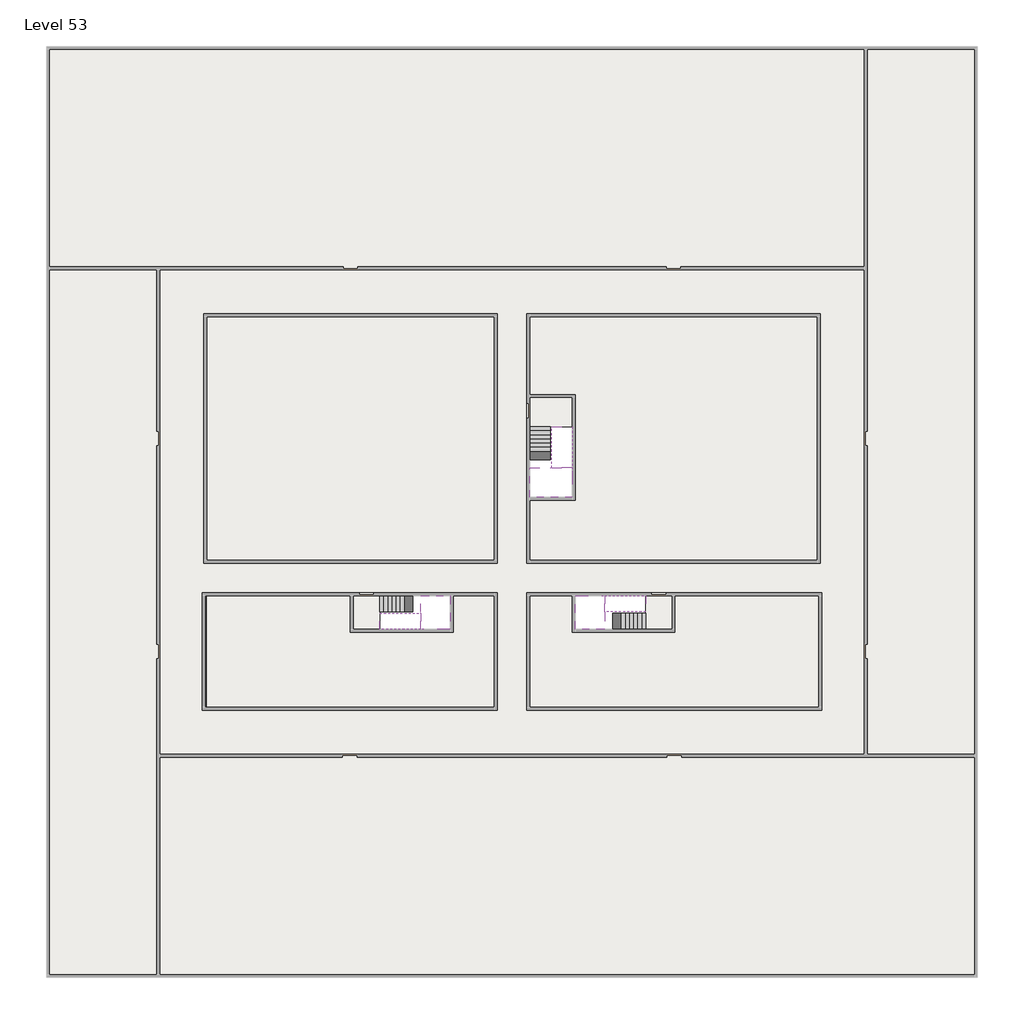
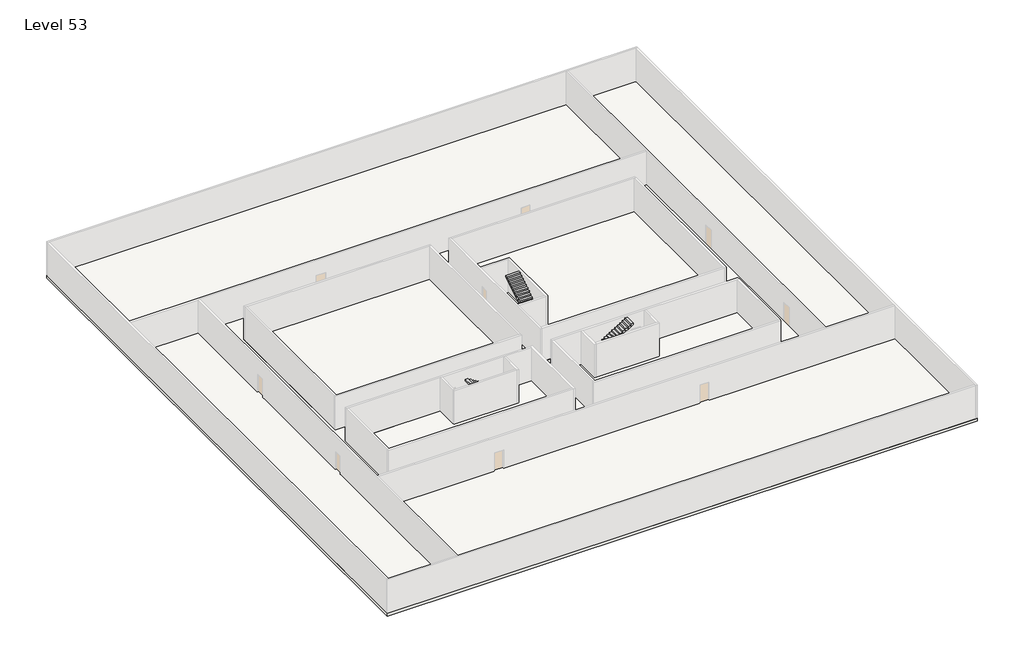
# One storey, part 2 of 2: 6 slabs, 6 stair flights.
"""IFC4 building model written with IfcOpenShell, lengths in millimetres."""

from ifc_helpers import new_model, si_unit, frame, origin, place, context, project, spatial, polyline, outline, extrude, faceted_brep, element, save

model = new_model("IFC4")

# Units and contexts
model_context = context("Model", 3, world=origin())
ifc_project = project(units=[si_unit("LENGTHUNIT", "METRE", prefix="MILLI")], contexts=[model_context])

# Site, building, storey
site = spatial("IfcSite", under=ifc_project)
building = spatial("IfcBuilding", under=site)
storey = spatial("IfcBuildingStorey", under=building, Name="Level 53", Elevation=197600.0)

# Slabs
placement = place(None, origin())
element("IfcSlab", 1, at=placement, inside=storey, context=model_context, shape_type="SweptSolid", body=[
    extrude(outline(polyline([(55890.1058784, -5518.09644), (55890.1058784, -68918.09644), (-7509.8941216, -68918.09644), (-7509.8941216, -5518.09644), (55890.1058784, -5518.09644)]), holes=[polyline([(23190.1058784, -23718.09644), (3190.1058784, -23718.09644), (3190.1058784, -40718.09644), (23190.1058784, -40718.09644), (23190.1058784, -23718.09644)]), polyline([(45190.1058784, -23718.09644), (25190.1058784, -23718.09644), (25190.1058784, -40718.09644), (45190.1058784, -40718.09644), (45190.1058784, -23718.09644)]), polyline([(23190.1058784, -50718.09644), (23190.1058784, -42718.09644), (3390.1058784, -42718.09644), (3390.1058784, -50718.09644), (23190.1058784, -50718.09644)]), polyline([(25190.1058784, -50718.09644), (45190.1058784, -50718.09644), (45190.1058784, -42718.09644), (25190.1058784, -42718.09644), (25190.1058784, -50718.09644)])]), frame((0.0, 0.0, 197300.0), z_axis=(0.0, 0.0, 1.0), x_axis=(1.0, 0.0, 0.0)), (0.0, 0.0, 1.0), 300.0),
])
element("IfcSlab", 2, at=placement, inside=storey, context=model_context, shape_type="Brep", body=[
    faceted_brep([(26790.1058784, -34218.09644, 199500.0), (25390.1058784, -34218.09644, 199500.0), (25390.1058784, -34297.4828763, 199500.0), (25390.1058784, -36218.09644, 199500.0), (28290.1058784, -36218.09644, 199500.0), (28290.1058784, -34418.7100038, 199500.0), (28290.1058784, -34218.09644, 199500.0), (26890.1058784, -34218.09644, 199500.0), (26790.1058784, -34218.09644, 199200.0), (26790.1058784, -34218.09644, 199151.0278478), (25390.1058784, -34218.09644, 199151.0278478), (25390.1058784, -34218.09644, 199327.2727273), (25390.1058784, -34297.4828763, 199200.0), (25390.1058784, -36218.09644, 199200.0), (28290.1058784, -36218.09644, 199200.0), (28290.1058784, -34418.7100038, 199200.0), (28290.1058784, -34218.09644, 199323.7551205), (26890.1058784, -34218.09644, 199323.7551205), (26890.1058784, -34218.09644, 199200.0), (26890.1058784, -34418.7100038, 199200.0), (26790.1058784, -34297.4828763, 199200.0)], [[[0, 1, 2, 3, 4, 5, 6, 7]], [[1, 0, 8, 9, 10, 11]], [[1, 11, 10, 12, 13, 3, 2]], [[4, 3, 13, 14]], [[4, 14, 15, 16, 6, 5]], [[7, 6, 16, 17]], [[0, 7, 17, 18, 8]], [[18, 19, 15, 14, 13, 12, 20, 8]], [[19, 18, 17]], [[20, 12, 10, 9]], [[8, 20, 9]], [[15, 19, 17, 16]]]),
])
element("IfcSlab", 3, at=placement, inside=storey, context=model_context, shape_type="SweptSolid", body=[
    extrude(outline(polyline([(22990.1058784, -23918.09644), (22990.1058784, -40518.09644), (3390.1058784, -40518.09644), (3390.1058784, -23918.09644), (22990.1058784, -23918.09644)])), frame((0.0, 0.0, 197300.0), z_axis=(0.0, 0.0, 1.0), x_axis=(1.0, 0.0, 0.0)), (0.0, 0.0, 1.0), 300.0),
    extrude(outline(polyline([(44990.1058784, -23918.09644), (44990.1058784, -40518.09644), (25390.1058784, -40518.09644), (25390.1058784, -36418.09644), (28490.1058784, -36418.09644), (28490.1058784, -29218.09644), (25390.1058784, -29218.09644), (25390.1058784, -23918.09644), (44990.1058784, -23918.09644)])), frame((0.0, 0.0, 197300.0), z_axis=(0.0, 0.0, 1.0), x_axis=(1.0, 0.0, 0.0)), (0.0, 0.0, 1.0), 300.0),
    extrude(outline(polyline([(22990.1058784, -42918.09644), (22990.1058784, -50518.09644), (3390.1058784, -50518.09644), (3390.1058784, -42918.09644), (13190.1058784, -42918.09644), (13190.1058784, -45418.09644), (20190.1058784, -45418.09644), (20190.1058784, -42918.09644), (22990.1058784, -42918.09644)])), frame((0.0, 0.0, 197300.0), z_axis=(0.0, 0.0, 1.0), x_axis=(1.0, 0.0, 0.0)), (0.0, 0.0, 1.0), 300.0),
    extrude(outline(polyline([(28290.1058784, -42918.09644), (28290.1058784, -45418.09644), (35290.1058784, -45418.09644), (35290.1058784, -42918.09644), (45090.1058784, -42918.09644), (45090.1058784, -50518.09644), (25390.1058784, -50518.09644), (25390.1058784, -42918.09644), (28290.1058784, -42918.09644)])), frame((0.0, 0.0, 197300.0), z_axis=(0.0, 0.0, 1.0), x_axis=(1.0, 0.0, 0.0)), (0.0, 0.0, 1.0), 300.0),
])
element("IfcSlab", 4, at=placement, inside=storey, context=model_context, shape_type="Brep", body=[
    faceted_brep([(30490.1058784, -45218.09644, 199500.0), (30490.1058784, -44118.09644, 199500.0), (30490.1058784, -44018.09644, 199500.0), (30490.1058784, -42918.09644, 199500.0), (30289.4923146, -42918.09644, 199500.0), (28490.1058784, -42918.09644, 199500.0), (28490.1058784, -45218.09644, 199500.0), (30410.7194421, -45218.09644, 199500.0), (30490.1058784, -45218.09644, 199327.2727273), (30490.1058784, -45218.09644, 199151.0278478), (30490.1058784, -44118.09644, 199151.0278478), (30490.1058784, -44118.09644, 199200.0), (30490.1058784, -44018.09644, 199200.0), (30490.1058784, -44018.09644, 199323.7551205), (30490.1058784, -42918.09644, 199323.7551205), (30289.4923146, -42918.09644, 199200.0), (28490.1058784, -42918.09644, 199200.0), (28490.1058784, -45218.09644, 199200.0), (30410.7194421, -45218.09644, 199200.0), (30289.4923146, -44018.09644, 199200.0), (30410.7194421, -44118.09644, 199200.0)], [[[0, 1, 2, 3, 4, 5, 6, 7]], [[1, 0, 8, 9, 10, 11]], [[2, 1, 11, 12, 13]], [[3, 2, 13, 14]], [[3, 14, 15, 16, 5, 4]], [[6, 5, 16, 17]], [[9, 8, 0, 7, 6, 17, 18]], [[19, 12, 11, 20, 18, 17, 16, 15]], [[12, 19, 13]], [[18, 20, 10, 9]], [[20, 11, 10]], [[19, 15, 14, 13]]]),
])
element("IfcSlab", 5, at=placement, inside=storey, context=model_context, shape_type="Brep", body=[
    faceted_brep([(17990.1058784, -42918.09644, 199500.0), (17990.1058784, -44018.09644, 199500.0), (17990.1058784, -44118.09644, 199500.0), (17990.1058784, -45218.09644, 199500.0), (18190.7194421, -45218.09644, 199500.0), (19990.1058784, -45218.09644, 199500.0), (19990.1058784, -42918.09644, 199500.0), (18069.4923146, -42918.09644, 199500.0), (17990.1058784, -42918.09644, 199327.2727273), (17990.1058784, -42918.09644, 199151.0278478), (17990.1058784, -44018.09644, 199151.0278478), (17990.1058784, -44018.09644, 199200.0), (17990.1058784, -44118.09644, 199200.0), (17990.1058784, -44118.09644, 199323.7551205), (17990.1058784, -45218.09644, 199323.7551205), (18190.7194421, -45218.09644, 199200.0), (19990.1058784, -45218.09644, 199200.0), (19990.1058784, -42918.09644, 199200.0), (18069.4923146, -42918.09644, 199200.0), (18190.7194421, -44118.09644, 199200.0), (18069.4923146, -44018.09644, 199200.0)], [[[0, 1, 2, 3, 4, 5, 6, 7]], [[1, 0, 8, 9, 10, 11]], [[2, 1, 11, 12, 13]], [[3, 2, 13, 14]], [[3, 14, 15, 16, 5, 4]], [[6, 5, 16, 17]], [[9, 8, 0, 7, 6, 17, 18]], [[19, 12, 11, 20, 18, 17, 16, 15]], [[12, 19, 13]], [[18, 20, 10, 9]], [[20, 11, 10]], [[19, 15, 14, 13]]]),
])
element("IfcSlab", 6, at=placement, inside=storey, context=model_context, shape_type="SweptSolid", body=[
    extrude(outline(polyline([(25190.1058784, -29418.09644), (28290.1058784, -29418.09644), (28290.1058784, -31418.09644), (25190.1058784, -31418.09644), (25190.1058784, -29418.09644)])), frame((0.0, 0.0, 197300.0), z_axis=(0.0, 0.0, 1.0), x_axis=(1.0, 0.0, 0.0)), (0.0, 0.0, 1.0), 300.0),
    extrude(outline(polyline([(15190.1058784, -45218.09644), (13390.1058784, -45218.09644), (13390.1058784, -42718.09644), (15190.1058784, -42718.09644), (15190.1058784, -45218.09644)])), frame((0.0, 0.0, 197300.0), z_axis=(0.0, 0.0, 1.0), x_axis=(1.0, 0.0, 0.0)), (0.0, 0.0, 1.0), 300.0),
    extrude(outline(polyline([(35090.1058784, -45218.09644), (33290.1058784, -45218.09644), (33290.1058784, -42718.09644), (35090.1058784, -42718.09644), (35090.1058784, -45218.09644)])), frame((0.0, 0.0, 197300.0), z_axis=(0.0, 0.0, 1.0), x_axis=(1.0, 0.0, 0.0)), (0.0, 0.0, 1.0), 300.0),
])

# Stair flights
element("IfcStairFlight", 7, at=placement, inside=storey, context=model_context, shape_type="Brep", body=[
    faceted_brep([(26790.1058784, -31698.09644, 197772.7272727), (26790.1058784, -31418.09644, 197772.7272727), (25390.1058784, -31418.09644, 197772.7272727), (25390.1058784, -31698.09644, 197772.7272727), (26790.1058784, -31698.09644, 197600.0), (26790.1058784, -31418.09644, 197600.0), (25390.1058784, -31418.09644, 197600.0), (25390.1058784, -31698.09644, 197600.0), (26790.1058784, -31978.09644, 197945.4545455), (26790.1058784, -31698.09644, 197945.4545455), (25390.1058784, -31698.09644, 197945.4545455), (25390.1058784, -31978.09644, 197945.4545455), (26790.1058784, -31978.09644, 197769.209666), (26790.1058784, -31703.7986657, 197600.0), (25390.1058784, -31703.7986657, 197600.0), (25390.1058784, -31978.09644, 197769.209666), (26790.1058784, -32258.09644, 198118.1818182), (26790.1058784, -31978.09644, 198118.1818182), (25390.1058784, -31978.09644, 198118.1818182), (25390.1058784, -32258.09644, 198118.1818182), (26790.1058784, -32258.09644, 197941.9369387), (25390.1058784, -32258.09644, 197941.9369387), (26790.1058784, -32538.09644, 198290.9090909), (26790.1058784, -32258.09644, 198290.9090909), (25390.1058784, -32258.09644, 198290.9090909), (25390.1058784, -32538.09644, 198290.9090909), (26790.1058784, -32538.09644, 198114.6642114), (25390.1058784, -32538.09644, 198114.6642114), (26790.1058784, -32818.09644, 198463.6363636), (26790.1058784, -32538.09644, 198463.6363636), (25390.1058784, -32538.09644, 198463.6363636), (25390.1058784, -32818.09644, 198463.6363636), (26790.1058784, -32818.09644, 198287.3914841), (25390.1058784, -32818.09644, 198287.3914841), (26790.1058784, -33098.09644, 198636.3636364), (26790.1058784, -32818.09644, 198636.3636364), (25390.1058784, -32818.09644, 198636.3636364), (25390.1058784, -33098.09644, 198636.3636364), (26790.1058784, -33098.09644, 198460.1187569), (25390.1058784, -33098.09644, 198460.1187569), (26790.1058784, -33378.09644, 198809.0909091), (26790.1058784, -33098.09644, 198809.0909091), (25390.1058784, -33098.09644, 198809.0909091), (25390.1058784, -33378.09644, 198809.0909091), (26790.1058784, -33378.09644, 198632.8460296), (25390.1058784, -33378.09644, 198632.8460296), (26790.1058784, -33658.09644, 198981.8181818), (26790.1058784, -33378.09644, 198981.8181818), (25390.1058784, -33378.09644, 198981.8181818), (25390.1058784, -33658.09644, 198981.8181818), (26790.1058784, -33658.09644, 198805.5733023), (25390.1058784, -33658.09644, 198805.5733023), (26790.1058784, -33938.09644, 199154.5454545), (26790.1058784, -33658.09644, 199154.5454545), (25390.1058784, -33658.09644, 199154.5454545), (25390.1058784, -33938.09644, 199154.5454545), (26790.1058784, -33938.09644, 198978.3005751), (25390.1058784, -33938.09644, 198978.3005751), (26790.1058784, -34218.09644, 199327.2727273), (26790.1058784, -33938.09644, 199327.2727273), (25390.1058784, -33938.09644, 199327.2727273), (25390.1058784, -34218.09644, 199327.2727273), (26790.1058784, -34218.09644, 199200.0), (26790.1058784, -34218.09644, 199151.0278478), (25390.1058784, -34218.09644, 199151.0278478)], [[[0, 1, 2, 3]], [[1, 0, 4, 5]], [[2, 1, 5, 6]], [[3, 2, 6, 7]], [[8, 9, 10, 11]], [[4, 0, 9, 8, 12, 13]], [[0, 3, 10, 9]], [[3, 7, 14, 15, 11, 10]], [[16, 17, 18, 19]], [[17, 16, 20, 12, 8]], [[8, 11, 18, 17]], [[19, 18, 11, 15, 21]], [[22, 23, 24, 25]], [[23, 22, 26, 20, 16]], [[16, 19, 24, 23]], [[25, 24, 19, 21, 27]], [[28, 29, 30, 31]], [[29, 28, 32, 26, 22]], [[22, 25, 30, 29]], [[31, 30, 25, 27, 33]], [[34, 35, 36, 37]], [[35, 34, 38, 32, 28]], [[28, 31, 36, 35]], [[37, 36, 31, 33, 39]], [[40, 41, 42, 43]], [[41, 40, 44, 38, 34]], [[34, 37, 42, 41]], [[43, 42, 37, 39, 45]], [[46, 47, 48, 49]], [[47, 46, 50, 44, 40]], [[40, 43, 48, 47]], [[49, 48, 43, 45, 51]], [[52, 53, 54, 55]], [[53, 52, 56, 50, 46]], [[46, 49, 54, 53]], [[55, 54, 49, 51, 57]], [[58, 59, 60, 61]], [[59, 58, 62, 63, 56, 52]], [[52, 55, 60, 59]], [[61, 60, 55, 57, 64]], [[58, 61, 64, 63, 62]], [[5, 4, 13, 14, 7, 6]], [[14, 13, 12, 20, 26, 32, 38, 44, 50, 56, 63, 64, 57, 51, 45, 39, 33, 27, 21, 15]]]),
])
element("IfcStairFlight", 8, at=placement, inside=storey, context=model_context, shape_type="Brep", body=[
    faceted_brep([(26890.1058784, -33938.09644, 199672.7272727), (26890.1058784, -34218.09644, 199672.7272727), (28290.1058784, -34218.09644, 199672.7272727), (28290.1058784, -33938.09644, 199672.7272727), (26890.1058784, -33938.09644, 199496.4823932), (26890.1058784, -34218.09644, 199323.7551205), (28290.1058784, -34218.09644, 199323.7551205), (28290.1058784, -34218.09644, 199500.0), (28290.1058784, -33938.09644, 199496.4823932), (26890.1058784, -33658.09644, 199845.4545455), (26890.1058784, -33938.09644, 199845.4545455), (28290.1058784, -33938.09644, 199845.4545455), (28290.1058784, -33658.09644, 199845.4545455), (26890.1058784, -33658.09644, 199669.209666), (28290.1058784, -33658.09644, 199669.209666), (26890.1058784, -33378.09644, 200018.1818182), (26890.1058784, -33658.09644, 200018.1818182), (28290.1058784, -33658.09644, 200018.1818182), (28290.1058784, -33378.09644, 200018.1818182), (26890.1058784, -33378.09644, 199841.9369387), (28290.1058784, -33378.09644, 199841.9369387), (26890.1058784, -33098.09644, 200190.9090909), (26890.1058784, -33378.09644, 200190.9090909), (28290.1058784, -33378.09644, 200190.9090909), (28290.1058784, -33098.09644, 200190.9090909), (26890.1058784, -33098.09644, 200014.6642114), (28290.1058784, -33098.09644, 200014.6642114), (26890.1058784, -32818.09644, 200363.6363636), (26890.1058784, -33098.09644, 200363.6363636), (28290.1058784, -33098.09644, 200363.6363636), (28290.1058784, -32818.09644, 200363.6363636), (26890.1058784, -32818.09644, 200187.3914841), (28290.1058784, -32818.09644, 200187.3914841), (26890.1058784, -32538.09644, 200536.3636364), (26890.1058784, -32818.09644, 200536.3636364), (28290.1058784, -32818.09644, 200536.3636364), (28290.1058784, -32538.09644, 200536.3636364), (26890.1058784, -32538.09644, 200360.1187569), (28290.1058784, -32538.09644, 200360.1187569), (26890.1058784, -32258.09644, 200709.0909091), (26890.1058784, -32538.09644, 200709.0909091), (28290.1058784, -32538.09644, 200709.0909091), (28290.1058784, -32258.09644, 200709.0909091), (26890.1058784, -32258.09644, 200532.8460296), (28290.1058784, -32258.09644, 200532.8460296), (26890.1058784, -31978.09644, 200881.8181818), (26890.1058784, -32258.09644, 200881.8181818), (28290.1058784, -32258.09644, 200881.8181818), (28290.1058784, -31978.09644, 200881.8181818), (26890.1058784, -31978.09644, 200705.5733023), (28290.1058784, -31978.09644, 200705.5733023), (26890.1058784, -31698.09644, 201054.5454545), (26890.1058784, -31978.09644, 201054.5454545), (28290.1058784, -31978.09644, 201054.5454545), (28290.1058784, -31698.09644, 201054.5454545), (26890.1058784, -31698.09644, 200878.3005751), (28290.1058784, -31698.09644, 200878.3005751), (26890.1058784, -31418.09644, 201227.2727273), (26890.1058784, -31698.09644, 201227.2727273), (28290.1058784, -31698.09644, 201227.2727273), (28290.1058784, -31418.09644, 201227.2727273), (26890.1058784, -31418.09644, 201051.0278478), (28290.1058784, -31418.09644, 201051.0278478)], [[[0, 1, 2, 3]], [[1, 0, 4, 5]], [[2, 1, 5, 6, 7]], [[3, 2, 7, 6, 8]], [[9, 10, 11, 12]], [[10, 9, 13, 4, 0]], [[11, 10, 0, 3]], [[12, 11, 3, 8, 14]], [[15, 16, 17, 18]], [[16, 15, 19, 13, 9]], [[17, 16, 9, 12]], [[18, 17, 12, 14, 20]], [[21, 22, 23, 24]], [[22, 21, 25, 19, 15]], [[23, 22, 15, 18]], [[24, 23, 18, 20, 26]], [[27, 28, 29, 30]], [[28, 27, 31, 25, 21]], [[29, 28, 21, 24]], [[30, 29, 24, 26, 32]], [[33, 34, 35, 36]], [[34, 33, 37, 31, 27]], [[35, 34, 27, 30]], [[36, 35, 30, 32, 38]], [[39, 40, 41, 42]], [[40, 39, 43, 37, 33]], [[41, 40, 33, 36]], [[42, 41, 36, 38, 44]], [[45, 46, 47, 48]], [[46, 45, 49, 43, 39]], [[47, 46, 39, 42]], [[48, 47, 42, 44, 50]], [[51, 52, 53, 54]], [[52, 51, 55, 49, 45]], [[53, 52, 45, 48]], [[54, 53, 48, 50, 56]], [[57, 58, 59, 60]], [[58, 57, 61, 55, 51]], [[59, 58, 51, 54]], [[60, 59, 54, 56, 62]], [[57, 60, 62, 61]], [[5, 4, 13, 19, 25, 31, 37, 43, 49, 55, 61, 62, 56, 50, 44, 38, 32, 26, 20, 14, 8, 6]]]),
])
element("IfcStairFlight", 9, at=placement, inside=storey, context=model_context, shape_type="Brep", body=[
    faceted_brep([(33010.1058784, -45218.09644, 197772.7272727), (33290.1058784, -45218.09644, 197772.7272727), (33290.1058784, -44118.09644, 197772.7272727), (33010.1058784, -44118.09644, 197772.7272727), (33010.1058784, -45218.09644, 197600.0), (33290.1058784, -45218.09644, 197600.0), (33290.1058784, -44118.09644, 197600.0), (33010.1058784, -44118.09644, 197600.0), (32730.1058784, -45218.09644, 197945.4545455), (33010.1058784, -45218.09644, 197945.4545455), (33010.1058784, -44118.09644, 197945.4545455), (32730.1058784, -44118.09644, 197945.4545455), (32730.1058784, -45218.09644, 197769.209666), (33004.4036527, -45218.09644, 197600.0), (33004.4036527, -44118.09644, 197600.0), (32730.1058784, -44118.09644, 197769.209666), (32450.1058784, -45218.09644, 198118.1818182), (32730.1058784, -45218.09644, 198118.1818182), (32730.1058784, -44118.09644, 198118.1818182), (32450.1058784, -44118.09644, 198118.1818182), (32450.1058784, -45218.09644, 197941.9369387), (32450.1058784, -44118.09644, 197941.9369387), (32170.1058784, -45218.09644, 198290.9090909), (32450.1058784, -45218.09644, 198290.9090909), (32450.1058784, -44118.09644, 198290.9090909), (32170.1058784, -44118.09644, 198290.9090909), (32170.1058784, -45218.09644, 198114.6642114), (32170.1058784, -44118.09644, 198114.6642114), (31890.1058784, -45218.09644, 198463.6363636), (32170.1058784, -45218.09644, 198463.6363636), (32170.1058784, -44118.09644, 198463.6363636), (31890.1058784, -44118.09644, 198463.6363636), (31890.1058784, -45218.09644, 198287.3914841), (31890.1058784, -44118.09644, 198287.3914841), (31610.1058784, -45218.09644, 198636.3636364), (31890.1058784, -45218.09644, 198636.3636364), (31890.1058784, -44118.09644, 198636.3636364), (31610.1058784, -44118.09644, 198636.3636364), (31610.1058784, -45218.09644, 198460.1187569), (31610.1058784, -44118.09644, 198460.1187569), (31330.1058784, -45218.09644, 198809.0909091), (31610.1058784, -45218.09644, 198809.0909091), (31610.1058784, -44118.09644, 198809.0909091), (31330.1058784, -44118.09644, 198809.0909091), (31330.1058784, -45218.09644, 198632.8460296), (31330.1058784, -44118.09644, 198632.8460296), (31050.1058784, -45218.09644, 198981.8181818), (31330.1058784, -45218.09644, 198981.8181818), (31330.1058784, -44118.09644, 198981.8181818), (31050.1058784, -44118.09644, 198981.8181818), (31050.1058784, -45218.09644, 198805.5733023), (31050.1058784, -44118.09644, 198805.5733023), (30770.1058784, -45218.09644, 199154.5454545), (31050.1058784, -45218.09644, 199154.5454545), (31050.1058784, -44118.09644, 199154.5454545), (30770.1058784, -44118.09644, 199154.5454545), (30770.1058784, -45218.09644, 198978.3005751), (30770.1058784, -44118.09644, 198978.3005751), (30490.1058784, -45218.09644, 199327.2727273), (30770.1058784, -45218.09644, 199327.2727273), (30770.1058784, -44118.09644, 199327.2727273), (30490.1058784, -44118.09644, 199327.2727273), (30490.1058784, -45218.09644, 199151.0278478), (30490.1058784, -44118.09644, 199151.0278478), (30490.1058784, -44118.09644, 199200.0)], [[[0, 1, 2, 3]], [[1, 0, 4, 5]], [[2, 1, 5, 6]], [[3, 2, 6, 7]], [[8, 9, 10, 11]], [[4, 0, 9, 8, 12, 13]], [[0, 3, 10, 9]], [[3, 7, 14, 15, 11, 10]], [[16, 17, 18, 19]], [[17, 16, 20, 12, 8]], [[8, 11, 18, 17]], [[19, 18, 11, 15, 21]], [[22, 23, 24, 25]], [[23, 22, 26, 20, 16]], [[16, 19, 24, 23]], [[25, 24, 19, 21, 27]], [[28, 29, 30, 31]], [[29, 28, 32, 26, 22]], [[22, 25, 30, 29]], [[31, 30, 25, 27, 33]], [[34, 35, 36, 37]], [[35, 34, 38, 32, 28]], [[28, 31, 36, 35]], [[37, 36, 31, 33, 39]], [[40, 41, 42, 43]], [[41, 40, 44, 38, 34]], [[34, 37, 42, 41]], [[43, 42, 37, 39, 45]], [[46, 47, 48, 49]], [[47, 46, 50, 44, 40]], [[40, 43, 48, 47]], [[49, 48, 43, 45, 51]], [[52, 53, 54, 55]], [[53, 52, 56, 50, 46]], [[46, 49, 54, 53]], [[55, 54, 49, 51, 57]], [[58, 59, 60, 61]], [[59, 58, 62, 56, 52]], [[52, 55, 60, 59]], [[61, 60, 55, 57, 63, 64]], [[58, 61, 64, 63, 62]], [[5, 4, 13, 14, 7, 6]], [[14, 13, 12, 20, 26, 32, 38, 44, 50, 56, 62, 63, 57, 51, 45, 39, 33, 27, 21, 15]]]),
])
element("IfcStairFlight", 10, at=placement, inside=storey, context=model_context, shape_type="Brep", body=[
    faceted_brep([(30770.1058784, -42918.09644, 199672.7272727), (30490.1058784, -42918.09644, 199672.7272727), (30490.1058784, -44018.09644, 199672.7272727), (30770.1058784, -44018.09644, 199672.7272727), (30770.1058784, -42918.09644, 199496.4823932), (30490.1058784, -42918.09644, 199323.7551205), (30490.1058784, -42918.09644, 199500.0), (30490.1058784, -44018.09644, 199323.7551205), (30770.1058784, -44018.09644, 199496.4823932), (31050.1058784, -42918.09644, 199845.4545455), (30770.1058784, -42918.09644, 199845.4545455), (30770.1058784, -44018.09644, 199845.4545455), (31050.1058784, -44018.09644, 199845.4545455), (31050.1058784, -42918.09644, 199669.209666), (31050.1058784, -44018.09644, 199669.209666), (31330.1058784, -42918.09644, 200018.1818182), (31050.1058784, -42918.09644, 200018.1818182), (31050.1058784, -44018.09644, 200018.1818182), (31330.1058784, -44018.09644, 200018.1818182), (31330.1058784, -42918.09644, 199841.9369387), (31330.1058784, -44018.09644, 199841.9369387), (31610.1058784, -42918.09644, 200190.9090909), (31330.1058784, -42918.09644, 200190.9090909), (31330.1058784, -44018.09644, 200190.9090909), (31610.1058784, -44018.09644, 200190.9090909), (31610.1058784, -42918.09644, 200014.6642114), (31610.1058784, -44018.09644, 200014.6642114), (31890.1058784, -42918.09644, 200363.6363636), (31610.1058784, -42918.09644, 200363.6363636), (31610.1058784, -44018.09644, 200363.6363636), (31890.1058784, -44018.09644, 200363.6363636), (31890.1058784, -42918.09644, 200187.3914841), (31890.1058784, -44018.09644, 200187.3914841), (32170.1058784, -42918.09644, 200536.3636364), (31890.1058784, -42918.09644, 200536.3636364), (31890.1058784, -44018.09644, 200536.3636364), (32170.1058784, -44018.09644, 200536.3636364), (32170.1058784, -42918.09644, 200360.1187569), (32170.1058784, -44018.09644, 200360.1187569), (32450.1058784, -42918.09644, 200709.0909091), (32170.1058784, -42918.09644, 200709.0909091), (32170.1058784, -44018.09644, 200709.0909091), (32450.1058784, -44018.09644, 200709.0909091), (32450.1058784, -42918.09644, 200532.8460296), (32450.1058784, -44018.09644, 200532.8460296), (32730.1058784, -42918.09644, 200881.8181818), (32450.1058784, -42918.09644, 200881.8181818), (32450.1058784, -44018.09644, 200881.8181818), (32730.1058784, -44018.09644, 200881.8181818), (32730.1058784, -42918.09644, 200705.5733023), (32730.1058784, -44018.09644, 200705.5733023), (33010.1058784, -42918.09644, 201054.5454545), (32730.1058784, -42918.09644, 201054.5454545), (32730.1058784, -44018.09644, 201054.5454545), (33010.1058784, -44018.09644, 201054.5454545), (33010.1058784, -42918.09644, 200878.3005751), (33010.1058784, -44018.09644, 200878.3005751), (33290.1058784, -42918.09644, 201227.2727273), (33010.1058784, -42918.09644, 201227.2727273), (33010.1058784, -44018.09644, 201227.2727273), (33290.1058784, -44018.09644, 201227.2727273), (33290.1058784, -42918.09644, 201051.0278478), (33290.1058784, -44018.09644, 201051.0278478)], [[[0, 1, 2, 3]], [[1, 0, 4, 5, 6]], [[2, 1, 6, 5, 7]], [[3, 2, 7, 8]], [[9, 10, 11, 12]], [[10, 9, 13, 4, 0]], [[11, 10, 0, 3]], [[12, 11, 3, 8, 14]], [[15, 16, 17, 18]], [[16, 15, 19, 13, 9]], [[17, 16, 9, 12]], [[18, 17, 12, 14, 20]], [[21, 22, 23, 24]], [[22, 21, 25, 19, 15]], [[23, 22, 15, 18]], [[24, 23, 18, 20, 26]], [[27, 28, 29, 30]], [[28, 27, 31, 25, 21]], [[29, 28, 21, 24]], [[30, 29, 24, 26, 32]], [[33, 34, 35, 36]], [[34, 33, 37, 31, 27]], [[35, 34, 27, 30]], [[36, 35, 30, 32, 38]], [[39, 40, 41, 42]], [[40, 39, 43, 37, 33]], [[41, 40, 33, 36]], [[42, 41, 36, 38, 44]], [[45, 46, 47, 48]], [[46, 45, 49, 43, 39]], [[47, 46, 39, 42]], [[48, 47, 42, 44, 50]], [[51, 52, 53, 54]], [[52, 51, 55, 49, 45]], [[53, 52, 45, 48]], [[54, 53, 48, 50, 56]], [[57, 58, 59, 60]], [[58, 57, 61, 55, 51]], [[59, 58, 51, 54]], [[60, 59, 54, 56, 62]], [[57, 60, 62, 61]], [[5, 4, 13, 19, 25, 31, 37, 43, 49, 55, 61, 62, 56, 50, 44, 38, 32, 26, 20, 14, 8, 7]]]),
])
element("IfcStairFlight", 11, at=placement, inside=storey, context=model_context, shape_type="Brep", body=[
    faceted_brep([(15470.1058784, -42918.09644, 197772.7272727), (15190.1058784, -42918.09644, 197772.7272727), (15190.1058784, -44018.09644, 197772.7272727), (15470.1058784, -44018.09644, 197772.7272727), (15470.1058784, -42918.09644, 197600.0), (15190.1058784, -42918.09644, 197600.0), (15190.1058784, -44018.09644, 197600.0), (15470.1058784, -44018.09644, 197600.0), (15750.1058784, -42918.09644, 197945.4545455), (15470.1058784, -42918.09644, 197945.4545455), (15470.1058784, -44018.09644, 197945.4545455), (15750.1058784, -44018.09644, 197945.4545455), (15750.1058784, -42918.09644, 197769.209666), (15475.8081041, -42918.09644, 197600.0), (15475.8081041, -44018.09644, 197600.0), (15750.1058784, -44018.09644, 197769.209666), (16030.1058784, -42918.09644, 198118.1818182), (15750.1058784, -42918.09644, 198118.1818182), (15750.1058784, -44018.09644, 198118.1818182), (16030.1058784, -44018.09644, 198118.1818182), (16030.1058784, -42918.09644, 197941.9369387), (16030.1058784, -44018.09644, 197941.9369387), (16310.1058784, -42918.09644, 198290.9090909), (16030.1058784, -42918.09644, 198290.9090909), (16030.1058784, -44018.09644, 198290.9090909), (16310.1058784, -44018.09644, 198290.9090909), (16310.1058784, -42918.09644, 198114.6642114), (16310.1058784, -44018.09644, 198114.6642114), (16590.1058784, -42918.09644, 198463.6363636), (16310.1058784, -42918.09644, 198463.6363636), (16310.1058784, -44018.09644, 198463.6363636), (16590.1058784, -44018.09644, 198463.6363636), (16590.1058784, -42918.09644, 198287.3914841), (16590.1058784, -44018.09644, 198287.3914841), (16870.1058784, -42918.09644, 198636.3636364), (16590.1058784, -42918.09644, 198636.3636364), (16590.1058784, -44018.09644, 198636.3636364), (16870.1058784, -44018.09644, 198636.3636364), (16870.1058784, -42918.09644, 198460.1187569), (16870.1058784, -44018.09644, 198460.1187569), (17150.1058784, -42918.09644, 198809.0909091), (16870.1058784, -42918.09644, 198809.0909091), (16870.1058784, -44018.09644, 198809.0909091), (17150.1058784, -44018.09644, 198809.0909091), (17150.1058784, -42918.09644, 198632.8460296), (17150.1058784, -44018.09644, 198632.8460296), (17430.1058784, -42918.09644, 198981.8181818), (17150.1058784, -42918.09644, 198981.8181818), (17150.1058784, -44018.09644, 198981.8181818), (17430.1058784, -44018.09644, 198981.8181818), (17430.1058784, -42918.09644, 198805.5733023), (17430.1058784, -44018.09644, 198805.5733023), (17710.1058784, -42918.09644, 199154.5454545), (17430.1058784, -42918.09644, 199154.5454545), (17430.1058784, -44018.09644, 199154.5454545), (17710.1058784, -44018.09644, 199154.5454545), (17710.1058784, -42918.09644, 198978.3005751), (17710.1058784, -44018.09644, 198978.3005751), (17990.1058784, -42918.09644, 199327.2727273), (17710.1058784, -42918.09644, 199327.2727273), (17710.1058784, -44018.09644, 199327.2727273), (17990.1058784, -44018.09644, 199327.2727273), (17990.1058784, -42918.09644, 199151.0278478), (17990.1058784, -44018.09644, 199151.0278478), (17990.1058784, -44018.09644, 199200.0)], [[[0, 1, 2, 3]], [[1, 0, 4, 5]], [[2, 1, 5, 6]], [[3, 2, 6, 7]], [[8, 9, 10, 11]], [[4, 0, 9, 8, 12, 13]], [[0, 3, 10, 9]], [[3, 7, 14, 15, 11, 10]], [[16, 17, 18, 19]], [[17, 16, 20, 12, 8]], [[8, 11, 18, 17]], [[19, 18, 11, 15, 21]], [[22, 23, 24, 25]], [[23, 22, 26, 20, 16]], [[16, 19, 24, 23]], [[25, 24, 19, 21, 27]], [[28, 29, 30, 31]], [[29, 28, 32, 26, 22]], [[22, 25, 30, 29]], [[31, 30, 25, 27, 33]], [[34, 35, 36, 37]], [[35, 34, 38, 32, 28]], [[28, 31, 36, 35]], [[37, 36, 31, 33, 39]], [[40, 41, 42, 43]], [[41, 40, 44, 38, 34]], [[34, 37, 42, 41]], [[43, 42, 37, 39, 45]], [[46, 47, 48, 49]], [[47, 46, 50, 44, 40]], [[40, 43, 48, 47]], [[49, 48, 43, 45, 51]], [[52, 53, 54, 55]], [[53, 52, 56, 50, 46]], [[46, 49, 54, 53]], [[55, 54, 49, 51, 57]], [[58, 59, 60, 61]], [[59, 58, 62, 56, 52]], [[52, 55, 60, 59]], [[61, 60, 55, 57, 63, 64]], [[58, 61, 64, 63, 62]], [[5, 4, 13, 14, 7, 6]], [[14, 13, 12, 20, 26, 32, 38, 44, 50, 56, 62, 63, 57, 51, 45, 39, 33, 27, 21, 15]]]),
])
element("IfcStairFlight", 12, at=placement, inside=storey, context=model_context, shape_type="Brep", body=[
    faceted_brep([(17710.1058784, -45218.09644, 199672.7272727), (17990.1058784, -45218.09644, 199672.7272727), (17990.1058784, -44118.09644, 199672.7272727), (17710.1058784, -44118.09644, 199672.7272727), (17710.1058784, -45218.09644, 199496.4823932), (17990.1058784, -45218.09644, 199323.7551205), (17990.1058784, -45218.09644, 199500.0), (17990.1058784, -44118.09644, 199323.7551205), (17710.1058784, -44118.09644, 199496.4823932), (17430.1058784, -45218.09644, 199845.4545455), (17710.1058784, -45218.09644, 199845.4545455), (17710.1058784, -44118.09644, 199845.4545455), (17430.1058784, -44118.09644, 199845.4545455), (17430.1058784, -45218.09644, 199669.209666), (17430.1058784, -44118.09644, 199669.209666), (17150.1058784, -45218.09644, 200018.1818182), (17430.1058784, -45218.09644, 200018.1818182), (17430.1058784, -44118.09644, 200018.1818182), (17150.1058784, -44118.09644, 200018.1818182), (17150.1058784, -45218.09644, 199841.9369387), (17150.1058784, -44118.09644, 199841.9369387), (16870.1058784, -45218.09644, 200190.9090909), (17150.1058784, -45218.09644, 200190.9090909), (17150.1058784, -44118.09644, 200190.9090909), (16870.1058784, -44118.09644, 200190.9090909), (16870.1058784, -45218.09644, 200014.6642114), (16870.1058784, -44118.09644, 200014.6642114), (16590.1058784, -45218.09644, 200363.6363636), (16870.1058784, -45218.09644, 200363.6363636), (16870.1058784, -44118.09644, 200363.6363636), (16590.1058784, -44118.09644, 200363.6363636), (16590.1058784, -45218.09644, 200187.3914841), (16590.1058784, -44118.09644, 200187.3914841), (16310.1058784, -45218.09644, 200536.3636364), (16590.1058784, -45218.09644, 200536.3636364), (16590.1058784, -44118.09644, 200536.3636364), (16310.1058784, -44118.09644, 200536.3636364), (16310.1058784, -45218.09644, 200360.1187569), (16310.1058784, -44118.09644, 200360.1187569), (16030.1058784, -45218.09644, 200709.0909091), (16310.1058784, -45218.09644, 200709.0909091), (16310.1058784, -44118.09644, 200709.0909091), (16030.1058784, -44118.09644, 200709.0909091), (16030.1058784, -45218.09644, 200532.8460296), (16030.1058784, -44118.09644, 200532.8460296), (15750.1058784, -45218.09644, 200881.8181818), (16030.1058784, -45218.09644, 200881.8181818), (16030.1058784, -44118.09644, 200881.8181818), (15750.1058784, -44118.09644, 200881.8181818), (15750.1058784, -45218.09644, 200705.5733023), (15750.1058784, -44118.09644, 200705.5733023), (15470.1058784, -45218.09644, 201054.5454545), (15750.1058784, -45218.09644, 201054.5454545), (15750.1058784, -44118.09644, 201054.5454545), (15470.1058784, -44118.09644, 201054.5454545), (15470.1058784, -45218.09644, 200878.3005751), (15470.1058784, -44118.09644, 200878.3005751), (15190.1058784, -45218.09644, 201227.2727273), (15470.1058784, -45218.09644, 201227.2727273), (15470.1058784, -44118.09644, 201227.2727273), (15190.1058784, -44118.09644, 201227.2727273), (15190.1058784, -45218.09644, 201051.0278478), (15190.1058784, -44118.09644, 201051.0278478)], [[[0, 1, 2, 3]], [[1, 0, 4, 5, 6]], [[2, 1, 6, 5, 7]], [[3, 2, 7, 8]], [[9, 10, 11, 12]], [[10, 9, 13, 4, 0]], [[11, 10, 0, 3]], [[12, 11, 3, 8, 14]], [[15, 16, 17, 18]], [[16, 15, 19, 13, 9]], [[17, 16, 9, 12]], [[18, 17, 12, 14, 20]], [[21, 22, 23, 24]], [[22, 21, 25, 19, 15]], [[23, 22, 15, 18]], [[24, 23, 18, 20, 26]], [[27, 28, 29, 30]], [[28, 27, 31, 25, 21]], [[29, 28, 21, 24]], [[30, 29, 24, 26, 32]], [[33, 34, 35, 36]], [[34, 33, 37, 31, 27]], [[35, 34, 27, 30]], [[36, 35, 30, 32, 38]], [[39, 40, 41, 42]], [[40, 39, 43, 37, 33]], [[41, 40, 33, 36]], [[42, 41, 36, 38, 44]], [[45, 46, 47, 48]], [[46, 45, 49, 43, 39]], [[47, 46, 39, 42]], [[48, 47, 42, 44, 50]], [[51, 52, 53, 54]], [[52, 51, 55, 49, 45]], [[53, 52, 45, 48]], [[54, 53, 48, 50, 56]], [[57, 58, 59, 60]], [[58, 57, 61, 55, 51]], [[59, 58, 51, 54]], [[60, 59, 54, 56, 62]], [[57, 60, 62, 61]], [[5, 4, 13, 19, 25, 31, 37, 43, 49, 55, 61, 62, 56, 50, 44, 38, 32, 26, 20, 14, 8, 7]]]),
])

save(model, "model.ifc")
